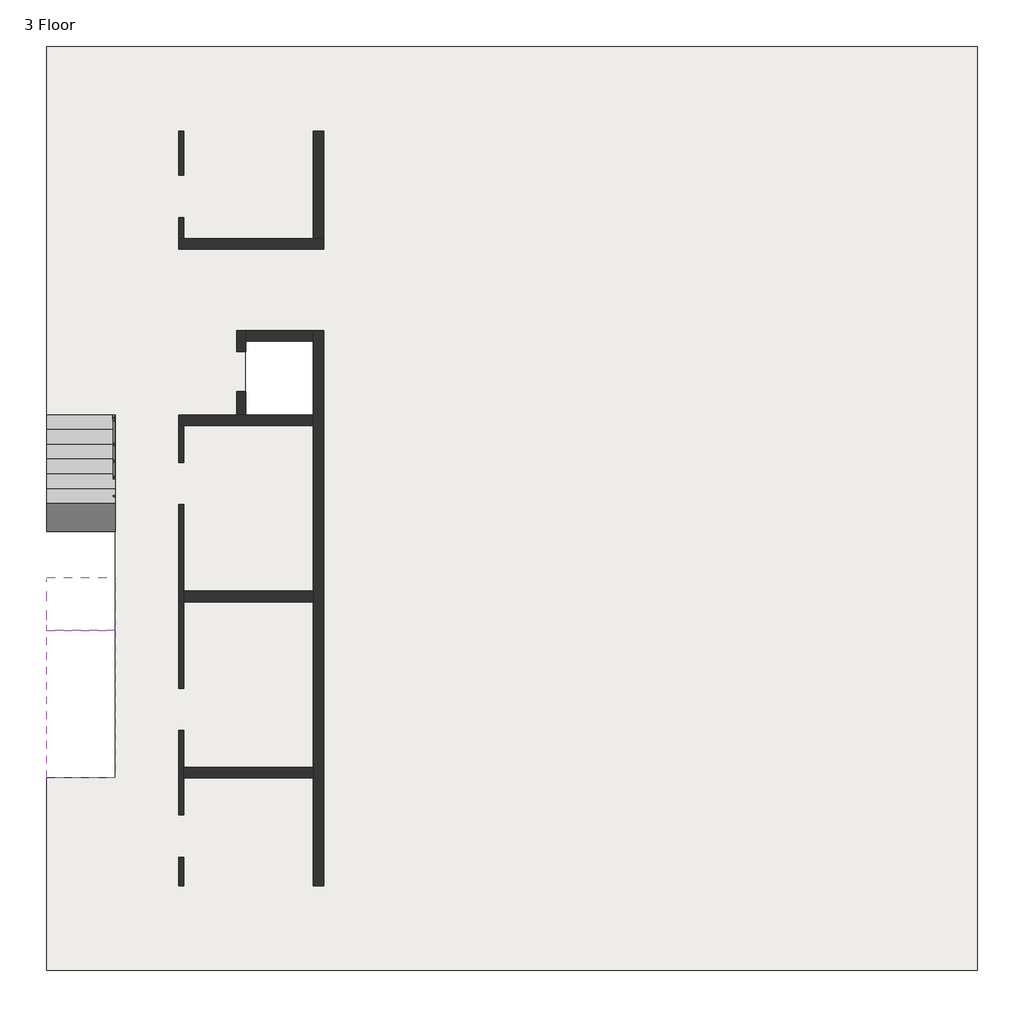
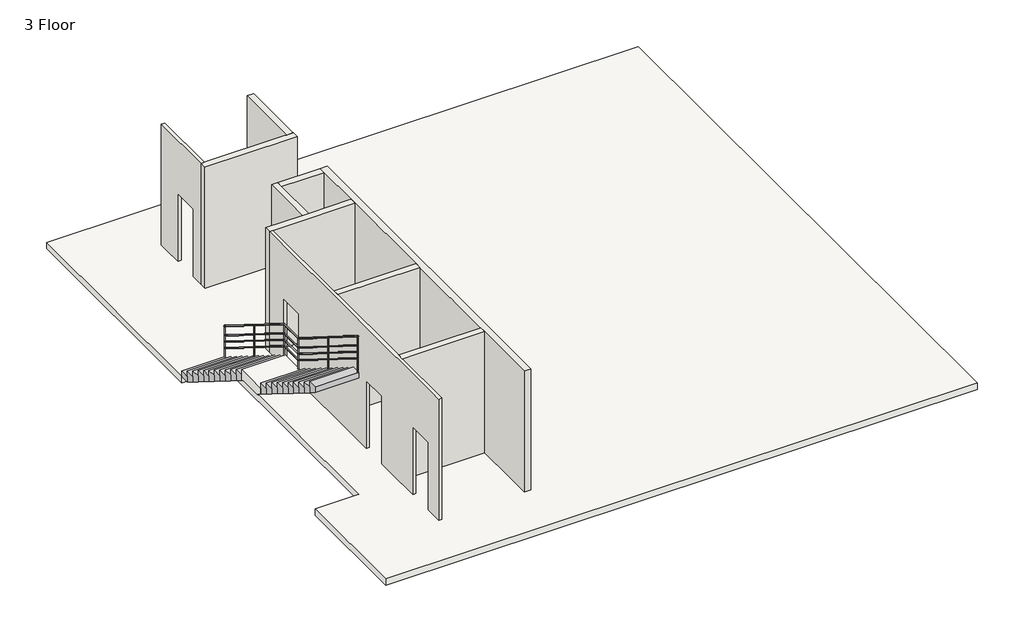
# One storey: 10 walls, 2 slabs, 2 stair flights, 1 railing.
"""IFC4 building model written with IfcOpenShell, lengths in millimetres."""

from ifc_helpers import new_model, si_unit, point, frame, frame_2d, origin, place, context, project, spatial, polyline, circle_curve, ellipse_curve, trimmed, segment, composite_curve, outline, extrude, faceted_brep, element, save
from ifc_brep_helpers import plane_surface, cylinder_surface, advanced_brep

model = new_model("IFC4")

# Units and contexts
model_context = context("Model", 3, world=origin())
ifc_project = project(units=[si_unit("LENGTHUNIT", "METRE", prefix="MILLI")], contexts=[model_context])

# Site, building, storey
site = spatial("IfcSite", under=ifc_project)
building = spatial("IfcBuilding", under=site)
storey = spatial("IfcBuildingStorey", under=building, Name="3 Floor", Elevation=14080.0)

# Railing
placement = place(None, origin())
element("IfcRailing", 1, ObjectType="1000mm Pipe", at=placement, inside=storey, context=model_context, shape_type="SolidModel", body=[
    advanced_brep(
    [(186965.285893, -22284.5742398, 15231.205882), (187005.285893, -22284.5742398, 15231.205882), (186965.285893, -25370.3041204, 17157.3913043), (187005.285893, -25370.3041204, 17157.3913043), (186965.285893, -26090.3041204, 17157.3913043), (187005.285893, -26090.3041204, 17157.3913043), (186965.285893, -29164.5742398, 19076.4232733), (187005.285893, -29164.5742398, 19076.4232733)],
    [
        (0, 1, ellipse_curve(frame((186985.285893, -22284.5742398, 15231.205882), z_axis=(0.0, 1.0, 0.0), x_axis=(0.0, 0.0, -1.0)), 23.5767267, 20.0)),
        (1, 0, ellipse_curve(frame((186985.285893, -22284.5742398, 15231.205882), z_axis=(0.0, 1.0, 0.0), x_axis=(0.0, 0.0, -1.0)), 23.5767267, 20.0)),
        (0, 2),
        (2, 3, ellipse_curve(frame((186985.285893, -25370.3041204, 17157.3913043), z_axis=(0.0, 0.9613256934599973, -0.2754140720690492), x_axis=(0.0, -0.27541407206904966, -0.9613256934599972)), 20.8046036, 20.0)),
        (3, 1),
        (3, 2, ellipse_curve(frame((186985.285893, -25370.3041204, 17157.3913043), z_axis=(0.0, 0.9613256934599973, -0.2754140720690492), x_axis=(0.0, -0.27541407206904966, -0.9613256934599972)), 20.8046036, 20.0)),
        (2, 4),
        (4, 5, ellipse_curve(frame((186985.285893, -26090.3041204, 17157.3913043), z_axis=(0.0, 0.9613256934599973, -0.2754140720690492), x_axis=(0.0, 0.2754140720690489, 0.9613256934599973)), 20.8046036, 20.0)),
        (5, 3),
        (5, 4, ellipse_curve(frame((186985.285893, -26090.3041204, 17157.3913043), z_axis=(0.0, 0.9613256934599973, -0.2754140720690492), x_axis=(0.0, 0.2754140720690489, 0.9613256934599973)), 20.8046036, 20.0)),
        (6, 7, ellipse_curve(frame((186985.285893, -29164.5742398, 19076.4232733), z_axis=(0.0, -1.0, 0.0), x_axis=(0.0, 0.0, -1.0)), 23.5767267, 20.0)),
        (7, 6, ellipse_curve(frame((186985.285893, -29164.5742398, 19076.4232733), z_axis=(0.0, -1.0, 0.0), x_axis=(0.0, 0.0, -1.0)), 23.5767267, 20.0)),
        (4, 6),
        (7, 5),
    ],
    [
        plane_surface(frame((186985.285893, -22284.5742398, 15254.7826087), z_axis=(0.0, 1.0, 0.0), x_axis=(0.0, 0.0, -1.0))),
        cylinder_surface(frame((186985.285893, -22295.1647447, 15237.8167251), z_axis=(0.0, 0.8482941778126892, -0.5295252476408407), x_axis=(1.0, 0.0, 0.0)), 20.0),
        cylinder_surface(frame((186985.285893, -25364.5742398, 17157.3913043), z_axis=(0.0, 1.0, 0.0), x_axis=(1.0, 0.0, 0.0)), 20.0),
        plane_surface(frame((186985.285893, -29164.5742398, 19100.0), z_axis=(0.0, -1.0, 0.0), x_axis=(0.0, 0.0, -1.0))),
        cylinder_surface(frame((186985.285893, -26095.1647447, 17160.4254208), z_axis=(0.0, 0.8482941778126891, -0.5295252476408407), x_axis=(1.0, 0.0, 0.0)), 20.0),
    ],
    [
        (0, [[1, 2]]),
        (1, [[-1, 3, 4, 5]]),
        (1, [[-2, -5, 6, -3]]),
        (2, [[-4, 7, 8, 9]]),
        (2, [[-6, -9, 10, -7]]),
        (3, [[11, 12]]),
        (4, [[-8, 13, -12, 14]]),
        (4, [[-10, -14, -11, -13]]),
    ],
),
    advanced_brep(
    [(186970.285893, -22284.5742398, 14937.1000637), (187000.285893, -22284.5742398, 14937.1000637), (186970.285893, -25368.8716502, 16862.3913043), (187000.285893, -25368.8716502, 16862.3913043), (186970.285893, -26088.8716502, 16862.3913043), (187000.285893, -26088.8716502, 16862.3913043), (186970.285893, -29164.5742398, 18782.317455), (187000.285893, -29164.5742398, 18782.317455)],
    [
        (0, 1, ellipse_curve(frame((186985.285893, -22284.5742398, 14937.1000637), z_axis=(0.0, 1.0, 0.0), x_axis=(0.0, 0.0, -1.0)), 17.682545, 15.0)),
        (1, 0, ellipse_curve(frame((186985.285893, -22284.5742398, 14937.1000637), z_axis=(0.0, 1.0, 0.0), x_axis=(0.0, 0.0, -1.0)), 17.682545, 15.0)),
        (0, 2),
        (2, 3, ellipse_curve(frame((186985.285893, -25368.8716502, 16862.3913043), z_axis=(0.0, 0.9613256934599973, -0.2754140720690492), x_axis=(0.0, -0.27541407206904966, -0.9613256934599972)), 15.6034527, 15.0)),
        (3, 1),
        (3, 2, ellipse_curve(frame((186985.285893, -25368.8716502, 16862.3913043), z_axis=(0.0, 0.9613256934599973, -0.2754140720690492), x_axis=(0.0, -0.27541407206904966, -0.9613256934599972)), 15.6034527, 15.0)),
        (2, 4),
        (4, 5, ellipse_curve(frame((186985.285893, -26088.8716502, 16862.3913043), z_axis=(0.0, 0.9613256934599973, -0.2754140720690492), x_axis=(0.0, 0.2754140720690489, 0.9613256934599973)), 15.6034527, 15.0)),
        (5, 3),
        (5, 4, ellipse_curve(frame((186985.285893, -26088.8716502, 16862.3913043), z_axis=(0.0, 0.9613256934599973, -0.2754140720690492), x_axis=(0.0, 0.2754140720690489, 0.9613256934599973)), 15.6034527, 15.0)),
        (6, 7, ellipse_curve(frame((186985.285893, -29164.5742398, 18782.317455), z_axis=(0.0, -1.0, 0.0), x_axis=(0.0, 0.0, -1.0)), 17.682545, 15.0)),
        (7, 6, ellipse_curve(frame((186985.285893, -29164.5742398, 18782.317455), z_axis=(0.0, -1.0, 0.0), x_axis=(0.0, 0.0, -1.0)), 17.682545, 15.0)),
        (4, 6),
        (7, 5),
    ],
    [
        plane_surface(frame((186985.285893, -22284.5742398, 14954.7826087), z_axis=(0.0, 1.0, 0.0), x_axis=(0.0, 0.0, -1.0))),
        cylinder_surface(frame((186985.285893, -22292.5171185, 14942.058196), z_axis=(0.0, 0.8482941778126892, -0.5295252476408407), x_axis=(1.0, 0.0, 0.0)), 15.0),
        cylinder_surface(frame((186985.285893, -25364.5742398, 16862.3913043), z_axis=(0.0, 1.0, 0.0), x_axis=(1.0, 0.0, 0.0)), 15.0),
        plane_surface(frame((186985.285893, -29164.5742398, 18800.0), z_axis=(0.0, -1.0, 0.0), x_axis=(0.0, 0.0, -1.0))),
        cylinder_surface(frame((186985.285893, -26092.5171185, 16864.6668917), z_axis=(0.0, 0.8482941778126891, -0.5295252476408407), x_axis=(1.0, 0.0, 0.0)), 15.0),
    ],
    [
        (0, [[1, 2]]),
        (1, [[-1, 3, 4, 5]]),
        (1, [[-2, -5, 6, -3]]),
        (2, [[-4, 7, 8, 9]]),
        (2, [[-6, -9, 10, -7]]),
        (3, [[11, 12]]),
        (4, [[-8, 13, -12, 14]]),
        (4, [[-10, -14, -11, -13]]),
    ],
),
    advanced_brep(
    [(186970.285893, -22284.5742398, 14737.1000637), (187000.285893, -22284.5742398, 14737.1000637), (186970.285893, -25368.8716502, 16662.3913043), (187000.285893, -25368.8716502, 16662.3913043), (186970.285893, -26088.8716502, 16662.3913043), (187000.285893, -26088.8716502, 16662.3913043), (186970.285893, -29164.5742398, 18582.317455), (187000.285893, -29164.5742398, 18582.317455)],
    [
        (0, 1, ellipse_curve(frame((186985.285893, -22284.5742398, 14737.1000637), z_axis=(0.0, 1.0, 0.0), x_axis=(0.0, 0.0, -1.0)), 17.682545, 15.0)),
        (1, 0, ellipse_curve(frame((186985.285893, -22284.5742398, 14737.1000637), z_axis=(0.0, 1.0, 0.0), x_axis=(0.0, 0.0, -1.0)), 17.682545, 15.0)),
        (0, 2),
        (2, 3, ellipse_curve(frame((186985.285893, -25368.8716502, 16662.3913043), z_axis=(0.0, 0.9613256934599973, -0.2754140720690492), x_axis=(0.0, -0.27541407206904966, -0.9613256934599972)), 15.6034527, 15.0)),
        (3, 1),
        (3, 2, ellipse_curve(frame((186985.285893, -25368.8716502, 16662.3913043), z_axis=(0.0, 0.9613256934599973, -0.2754140720690492), x_axis=(0.0, -0.27541407206904966, -0.9613256934599972)), 15.6034527, 15.0)),
        (2, 4),
        (4, 5, ellipse_curve(frame((186985.285893, -26088.8716502, 16662.3913043), z_axis=(0.0, 0.9613256934599973, -0.2754140720690492), x_axis=(0.0, 0.2754140720690489, 0.9613256934599973)), 15.6034527, 15.0)),
        (5, 3),
        (5, 4, ellipse_curve(frame((186985.285893, -26088.8716502, 16662.3913043), z_axis=(0.0, 0.9613256934599973, -0.2754140720690492), x_axis=(0.0, 0.2754140720690489, 0.9613256934599973)), 15.6034527, 15.0)),
        (6, 7, ellipse_curve(frame((186985.285893, -29164.5742398, 18582.317455), z_axis=(0.0, -1.0, 0.0), x_axis=(0.0, 0.0, -1.0)), 17.682545, 15.0)),
        (7, 6, ellipse_curve(frame((186985.285893, -29164.5742398, 18582.317455), z_axis=(0.0, -1.0, 0.0), x_axis=(0.0, 0.0, -1.0)), 17.682545, 15.0)),
        (4, 6),
        (7, 5),
    ],
    [
        plane_surface(frame((186985.285893, -22284.5742398, 14754.7826087), z_axis=(0.0, 1.0, 0.0), x_axis=(0.0, 0.0, -1.0))),
        cylinder_surface(frame((186985.285893, -22292.5171185, 14742.058196), z_axis=(0.0, 0.8482941778126892, -0.5295252476408407), x_axis=(1.0, 0.0, 0.0)), 15.0),
        cylinder_surface(frame((186985.285893, -25364.5742398, 16662.3913043), z_axis=(0.0, 1.0, 0.0), x_axis=(1.0, 0.0, 0.0)), 15.0),
        plane_surface(frame((186985.285893, -29164.5742398, 18600.0), z_axis=(0.0, -1.0, 0.0), x_axis=(0.0, 0.0, -1.0))),
        cylinder_surface(frame((186985.285893, -26092.5171185, 16664.6668917), z_axis=(0.0, 0.8482941778126891, -0.5295252476408407), x_axis=(1.0, 0.0, 0.0)), 15.0),
    ],
    [
        (0, [[1, 2]]),
        (1, [[-1, 3, 4, 5]]),
        (1, [[-2, -5, 6, -3]]),
        (2, [[-4, 7, 8, 9]]),
        (2, [[-6, -9, 10, -7]]),
        (3, [[11, 12]]),
        (4, [[-8, 13, -12, 14]]),
        (4, [[-10, -14, -11, -13]]),
    ],
),
    advanced_brep(
    [(186970.285893, -22284.5742398, 14537.1000637), (187000.285893, -22284.5742398, 14537.1000637), (186970.285893, -25368.8716502, 16462.3913043), (187000.285893, -25368.8716502, 16462.3913043), (186970.285893, -26088.8716502, 16462.3913043), (187000.285893, -26088.8716502, 16462.3913043), (186970.285893, -29164.5742398, 18382.317455), (187000.285893, -29164.5742398, 18382.317455)],
    [
        (0, 1, ellipse_curve(frame((186985.285893, -22284.5742398, 14537.1000637), z_axis=(0.0, 1.0, 0.0), x_axis=(0.0, 0.0, -1.0)), 17.682545, 15.0)),
        (1, 0, ellipse_curve(frame((186985.285893, -22284.5742398, 14537.1000637), z_axis=(0.0, 1.0, 0.0), x_axis=(0.0, 0.0, -1.0)), 17.682545, 15.0)),
        (0, 2),
        (2, 3, ellipse_curve(frame((186985.285893, -25368.8716502, 16462.3913043), z_axis=(0.0, 0.9613256934599973, -0.2754140720690492), x_axis=(0.0, -0.27541407206904966, -0.9613256934599972)), 15.6034527, 15.0)),
        (3, 1),
        (3, 2, ellipse_curve(frame((186985.285893, -25368.8716502, 16462.3913043), z_axis=(0.0, 0.9613256934599973, -0.2754140720690492), x_axis=(0.0, -0.27541407206904966, -0.9613256934599972)), 15.6034527, 15.0)),
        (2, 4),
        (4, 5, ellipse_curve(frame((186985.285893, -26088.8716502, 16462.3913043), z_axis=(0.0, 0.9613256934599973, -0.2754140720690492), x_axis=(0.0, 0.2754140720690489, 0.9613256934599973)), 15.6034527, 15.0)),
        (5, 3),
        (5, 4, ellipse_curve(frame((186985.285893, -26088.8716502, 16462.3913043), z_axis=(0.0, 0.9613256934599973, -0.2754140720690492), x_axis=(0.0, 0.2754140720690489, 0.9613256934599973)), 15.6034527, 15.0)),
        (6, 7, ellipse_curve(frame((186985.285893, -29164.5742398, 18382.317455), z_axis=(0.0, -1.0, 0.0), x_axis=(0.0, 0.0, -1.0)), 17.682545, 15.0)),
        (7, 6, ellipse_curve(frame((186985.285893, -29164.5742398, 18382.317455), z_axis=(0.0, -1.0, 0.0), x_axis=(0.0, 0.0, -1.0)), 17.682545, 15.0)),
        (4, 6),
        (7, 5),
    ],
    [
        plane_surface(frame((186985.285893, -22284.5742398, 14554.7826087), z_axis=(0.0, 1.0, 0.0), x_axis=(0.0, 0.0, -1.0))),
        cylinder_surface(frame((186985.285893, -22292.5171185, 14542.058196), z_axis=(0.0, 0.8482941778126892, -0.5295252476408407), x_axis=(1.0, 0.0, 0.0)), 15.0),
        cylinder_surface(frame((186985.285893, -25364.5742398, 16462.3913043), z_axis=(0.0, 1.0, 0.0), x_axis=(1.0, 0.0, 0.0)), 15.0),
        plane_surface(frame((186985.285893, -29164.5742398, 18400.0), z_axis=(0.0, -1.0, 0.0), x_axis=(0.0, 0.0, -1.0))),
        cylinder_surface(frame((186985.285893, -26092.5171185, 16464.6668917), z_axis=(0.0, 0.8482941778126891, -0.5295252476408407), x_axis=(1.0, 0.0, 0.0)), 15.0),
    ],
    [
        (0, [[1, 2]]),
        (1, [[-1, 3, 4, 5]]),
        (1, [[-2, -5, 6, -3]]),
        (2, [[-4, 7, 8, 9]]),
        (2, [[-6, -9, 10, -7]]),
        (3, [[11, 12]]),
        (4, [[-8, 13, -12, 14]]),
        (4, [[-10, -14, -11, -13]]),
    ],
),
    advanced_brep(
    [(186997.785893, -27624.5742398, 18091.5421988), (186972.785893, -27624.5742398, 18091.5421988), (186972.785893, -27624.5742398, 17051.3043478), (186997.785893, -27624.5742398, 17051.3043478)],
    [
        (0, 1, ellipse_curve(frame((186985.285893, -27624.5742398, 18091.5421988), z_axis=(0.0, -0.5295252476408403, -0.8482941778126895), x_axis=(0.0, -0.8482941778126895, 0.5295252476408402)), 14.7354542, 12.5)),
        (1, 2),
        (2, 3, circle_curve(frame((186985.285893, -27624.5742398, 17051.3043478), z_axis=(0.0, 0.0, 1.0), x_axis=(-1.0, 0.0, 0.0)), 12.5)),
        (3, 0),
        (3, 2, circle_curve(frame((186985.285893, -27624.5742398, 17051.3043478), z_axis=(0.0, 0.0, 1.0), x_axis=(-1.0, 0.0, 0.0)), 12.5)),
        (1, 0, ellipse_curve(frame((186985.285893, -27624.5742398, 18091.5421988), z_axis=(0.0, -0.5295252476408403, -0.8482941778126895), x_axis=(0.0, -0.8482941778126895, 0.5295252476408402)), 14.7354542, 12.5)),
    ],
    [
        cylinder_surface(frame((186985.285893, -27624.5742398, 16951.3043478), z_axis=(0.0, 0.0, 1.0), x_axis=(-1.0, 0.0, 0.0)), 12.5),
        plane_surface(frame((186960.285893, -27649.5742398, 18107.1477888), z_axis=(0.0, 0.5295252476408403, 0.8482941778126895), x_axis=(1.0, 0.0, 0.0))),
        plane_surface(frame((186960.285893, -27599.5742398, 17051.3043478), z_axis=(0.0, 0.0, -1.0), x_axis=(1.0, 0.0, 0.0))),
    ],
    [
        (0, [[1, 2, 3, 4]]),
        (0, [[5, -2, 6, -4]]),
        (1, [[-6, -1]]),
        (2, [[-5, -3]]),
    ],
),
    advanced_brep(
    [(186997.785893, -23824.5742398, 16168.9335031), (186972.785893, -23824.5742398, 16168.9335031), (186972.785893, -23824.5742398, 15128.6956522), (186997.785893, -23824.5742398, 15128.6956522)],
    [
        (0, 1, ellipse_curve(frame((186985.285893, -23824.5742398, 16168.9335031), z_axis=(0.0, -0.5295252476408403, -0.8482941778126895), x_axis=(0.0, -0.8482941778126895, 0.5295252476408402)), 14.7354542, 12.5)),
        (1, 2),
        (2, 3, circle_curve(frame((186985.285893, -23824.5742398, 15128.6956522), z_axis=(0.0, 0.0, 1.0), x_axis=(-1.0, 0.0, 0.0)), 12.5)),
        (3, 0),
        (3, 2, circle_curve(frame((186985.285893, -23824.5742398, 15128.6956522), z_axis=(0.0, 0.0, 1.0), x_axis=(-1.0, 0.0, 0.0)), 12.5)),
        (1, 0, ellipse_curve(frame((186985.285893, -23824.5742398, 16168.9335031), z_axis=(0.0, -0.5295252476408403, -0.8482941778126895), x_axis=(0.0, -0.8482941778126895, 0.5295252476408402)), 14.7354542, 12.5)),
    ],
    [
        cylinder_surface(frame((186985.285893, -23824.5742398, 15028.6956522), z_axis=(0.0, 0.0, 1.0), x_axis=(-1.0, 0.0, 0.0)), 12.5),
        plane_surface(frame((186960.285893, -23849.5742398, 16184.5390932), z_axis=(0.0, 0.5295252476408403, 0.8482941778126895), x_axis=(1.0, 0.0, 0.0))),
        plane_surface(frame((186960.285893, -23799.5742398, 15128.6956522), z_axis=(0.0, 0.0, -1.0), x_axis=(1.0, 0.0, 0.0))),
    ],
    [
        (0, [[1, 2, 3, 4]]),
        (0, [[5, -2, 6, -4]]),
        (1, [[-6, -1]]),
        (2, [[-5, -3]]),
    ],
),
    extrude(outline(composite_curve([segment(trimmed(circle_curve(frame_2d((186985.285893, -26084.5742398)), 12.5), [point((186972.785893, -26084.5742398))], [point((186997.785893, -26084.5742398))], False, "CARTESIAN"), True, "CONTINUOUS"), segment(trimmed(circle_curve(frame_2d((186985.285893, -26084.5742398)), 12.5), [point((186997.785893, -26084.5742398))], [point((186972.785893, -26084.5742398))], False, "CARTESIAN"), True, "CONTINUOUS")], self_intersect=False)), frame((0.0, 0.0, 16177.3913043), z_axis=(0.0, 0.0, 1.0), x_axis=(1.0, 0.0, 0.0)), (0.0, 0.0, 1.0), 960.0),
    advanced_brep(
    [(186997.785893, -25364.5742398, 17130.2378509), (186972.785893, -25364.5742398, 17130.2378509), (186972.785893, -25364.5742398, 16177.3913043), (186997.785893, -25364.5742398, 16177.3913043)],
    [
        (0, 1, ellipse_curve(frame((186985.285893, -25364.5742398, 17130.2378509), z_axis=(0.0, -0.5295252476408403, -0.8482941778126895), x_axis=(0.0, -0.8482941778126895, 0.5295252476408402)), 14.7354542, 12.5)),
        (1, 2),
        (2, 3, circle_curve(frame((186985.285893, -25364.5742398, 16177.3913043), z_axis=(0.0, 0.0, 1.0), x_axis=(-1.0, 0.0, 0.0)), 12.5)),
        (3, 0),
        (3, 2, circle_curve(frame((186985.285893, -25364.5742398, 16177.3913043), z_axis=(0.0, 0.0, 1.0), x_axis=(-1.0, 0.0, 0.0)), 12.5)),
        (1, 0, ellipse_curve(frame((186985.285893, -25364.5742398, 17130.2378509), z_axis=(0.0, -0.5295252476408403, -0.8482941778126895), x_axis=(0.0, -0.8482941778126895, 0.5295252476408402)), 14.7354542, 12.5)),
    ],
    [
        cylinder_surface(frame((186985.285893, -25364.5742398, 16077.3913043), z_axis=(0.0, 0.0, 1.0), x_axis=(-1.0, 0.0, 0.0)), 12.5),
        plane_surface(frame((186960.285893, -25389.5742398, 17145.843441), z_axis=(0.0, 0.5295252476408403, 0.8482941778126895), x_axis=(1.0, 0.0, 0.0))),
        plane_surface(frame((186960.285893, -25339.5742398, 16177.3913043), z_axis=(0.0, 0.0, -1.0), x_axis=(1.0, 0.0, 0.0))),
    ],
    [
        (0, [[1, 2, 3, 4]]),
        (0, [[5, -2, 6, -4]]),
        (1, [[-6, -1]]),
        (2, [[-5, -3]]),
    ],
),
    advanced_brep(
    [(186997.785893, -29152.0742398, 19045.0437515), (186972.785893, -29152.0742398, 19045.0437515), (186972.785893, -29152.0742398, 17925.2173913), (186997.785893, -29152.0742398, 17925.2173913)],
    [
        (0, 1, ellipse_curve(frame((186985.285893, -29152.0742398, 19045.0437515), z_axis=(0.0, -0.5295252476408403, -0.8482941778126895), x_axis=(0.0, -0.8482941778126895, 0.5295252476408402)), 14.7354542, 12.5)),
        (1, 2),
        (2, 3, circle_curve(frame((186985.285893, -29152.0742398, 17925.2173913), z_axis=(0.0, 0.0, 1.0), x_axis=(-1.0, 0.0, 0.0)), 12.5)),
        (3, 0),
        (3, 2, circle_curve(frame((186985.285893, -29152.0742398, 17925.2173913), z_axis=(0.0, 0.0, 1.0), x_axis=(-1.0, 0.0, 0.0)), 12.5)),
        (1, 0, ellipse_curve(frame((186985.285893, -29152.0742398, 19045.0437515), z_axis=(0.0, -0.5295252476408403, -0.8482941778126895), x_axis=(0.0, -0.8482941778126895, 0.5295252476408402)), 14.7354542, 12.5)),
    ],
    [
        cylinder_surface(frame((186985.285893, -29152.0742398, 17825.2173913), z_axis=(0.0, 0.0, 1.0), x_axis=(-1.0, 0.0, 0.0)), 12.5),
        plane_surface(frame((186960.285893, -29177.0742398, 19060.6493416), z_axis=(0.0, 0.5295252476408403, 0.8482941778126895), x_axis=(1.0, 0.0, 0.0))),
        plane_surface(frame((186960.285893, -29127.0742398, 17925.2173913), z_axis=(0.0, 0.0, -1.0), x_axis=(1.0, 0.0, 0.0))),
    ],
    [
        (0, [[1, 2, 3, 4]]),
        (0, [[5, -2, 6, -4]]),
        (1, [[-6, -1]]),
        (2, [[-5, -3]]),
    ],
),
    advanced_brep(
    [(186997.785893, -22297.0742398, 15215.4319503), (186972.785893, -22297.0742398, 15215.4319503), (186972.785893, -22297.0742398, 14254.7826087), (186997.785893, -22297.0742398, 14254.7826087)],
    [
        (0, 1, ellipse_curve(frame((186985.285893, -22297.0742398, 15215.4319503), z_axis=(0.0, -0.5295252476408403, -0.8482941778126895), x_axis=(0.0, -0.8482941778126895, 0.5295252476408402)), 14.7354542, 12.5)),
        (1, 2),
        (2, 3, circle_curve(frame((186985.285893, -22297.0742398, 14254.7826087), z_axis=(0.0, 0.0, 1.0), x_axis=(-1.0, 0.0, 0.0)), 12.5)),
        (3, 0),
        (3, 2, circle_curve(frame((186985.285893, -22297.0742398, 14254.7826087), z_axis=(0.0, 0.0, 1.0), x_axis=(-1.0, 0.0, 0.0)), 12.5)),
        (1, 0, ellipse_curve(frame((186985.285893, -22297.0742398, 15215.4319503), z_axis=(0.0, -0.5295252476408403, -0.8482941778126895), x_axis=(0.0, -0.8482941778126895, 0.5295252476408402)), 14.7354542, 12.5)),
    ],
    [
        cylinder_surface(frame((186985.285893, -22297.0742398, 14154.7826087), z_axis=(0.0, 0.0, 1.0), x_axis=(-1.0, 0.0, 0.0)), 12.5),
        plane_surface(frame((186960.285893, -22322.0742398, 15231.0375404), z_axis=(0.0, 0.5295252476408403, 0.8482941778126895), x_axis=(1.0, 0.0, 0.0))),
        plane_surface(frame((186960.285893, -22272.0742398, 14254.7826087), z_axis=(0.0, 0.0, -1.0), x_axis=(1.0, 0.0, 0.0))),
    ],
    [
        (0, [[1, 2, 3, 4]]),
        (0, [[5, -2, 6, -4]]),
        (1, [[-6, -1]]),
        (2, [[-5, -3]]),
    ],
),
])

# Slabs
element("IfcSlab", 2, ObjectType="300mm Thickness", at=placement, inside=storey, context=model_context, shape_type="Brep", body=[
    faceted_brep([(187010.685893, -25364.5742398, 16177.3913043), (185710.685893, -25364.5742398, 16177.3913043), (185710.685893, -25447.2498368, 16177.3913043), (185710.685893, -26167.2498368, 16177.3913043), (185710.685893, -26364.5742398, 16177.3913043), (187010.685893, -26364.5742398, 16177.3913043), (187010.685893, -26167.2498368, 16177.3913043), (187010.685893, -25447.2498368, 16177.3913043), (187010.685893, -25364.5742398, 16002.6086957), (187010.685893, -25364.5742398, 15825.7832453), (185710.685893, -25364.5742398, 15825.7832453), (185710.685893, -25364.5742398, 16002.6086957), (185710.685893, -25447.2498368, 15877.3913043), (185710.685893, -26167.2498368, 15877.3913043), (185710.685893, -26364.5742398, 16000.565854), (187010.685893, -26364.5742398, 16000.565854), (187010.685893, -26167.2498368, 15877.3913043), (187010.685893, -25447.2498368, 15877.3913043)], [[[0, 1, 2, 3, 4, 5, 6, 7]], [[1, 0, 8, 9, 10, 11]], [[1, 11, 10, 12, 13, 14, 4, 3, 2]], [[5, 4, 14, 15]], [[9, 8, 0, 7, 6, 5, 15, 16, 17]], [[12, 17, 16, 13]], [[17, 12, 10, 9]], [[13, 16, 15, 14]]]),
])
element("IfcSlab", 3, ObjectType="STB 20.0", at=placement, inside=storey, context=model_context, shape_type="SweptSolid", body=[
    extrude(outline(polyline([(203340.6858931, -32804.57424), (185710.685893, -32804.57424), (185710.685893, -29164.5742398), (187010.685893, -29164.5742398), (187010.685893, -22284.5742398), (185710.685893, -22284.5742398), (185710.685893, -15304.5742399), (203340.6858931, -15304.5742399), (203340.6858931, -32804.57424)]), holes=[polyline([(190760.6858931, -20884.5742398), (189485.6858931, -20884.5742398), (189485.6858931, -22284.5742398), (190760.6858931, -22284.5742398), (190760.6858931, -20884.5742398)])]), frame((0.0, 0.0, 13880.0), z_axis=(0.0, 0.0, 1.0), x_axis=(1.0, 0.0, 0.0)), (0.0, 0.0, 1.0), 200.0),
])

# Stair flights
element("IfcStairFlight", 4, ObjectType="150mm Depth", at=placement, inside=storey, context=model_context, shape_type="Brep", body=[
    faceted_brep([(187010.685893, -22564.5742398, 14254.7826087), (187010.685893, -22284.5742398, 14254.7826087), (185710.685893, -22284.5742398, 14254.7826087), (185710.685893, -22564.5742398, 14254.7826087), (187010.685893, -22564.5742398, 14080.0), (187010.685893, -22284.5742398, 14080.0), (185710.685893, -22284.5742398, 14080.0), (185710.685893, -22564.5742398, 14080.0), (187010.685893, -22844.5742398, 14429.5652174), (187010.685893, -22564.5742398, 14429.5652174), (185710.685893, -22564.5742398, 14429.5652174), (185710.685893, -22844.5742398, 14429.5652174), (187010.685893, -22844.5742398, 14252.7397671), (187010.685893, -22567.8468517, 14080.0), (185710.685893, -22567.8468517, 14080.0), (185710.685893, -22844.5742398, 14252.7397671), (187010.685893, -23124.5742398, 14604.3478261), (187010.685893, -22844.5742398, 14604.3478261), (185710.685893, -22844.5742398, 14604.3478261), (185710.685893, -23124.5742398, 14604.3478261), (187010.685893, -23124.5742398, 14427.5223758), (185710.685893, -23124.5742398, 14427.5223758), (187010.685893, -23404.5742398, 14779.1304348), (187010.685893, -23124.5742398, 14779.1304348), (185710.685893, -23124.5742398, 14779.1304348), (185710.685893, -23404.5742398, 14779.1304348), (187010.685893, -23404.5742398, 14602.3049845), (185710.685893, -23404.5742398, 14602.3049845), (187010.685893, -23684.5742398, 14953.9130435), (187010.685893, -23404.5742398, 14953.9130435), (185710.685893, -23404.5742398, 14953.9130435), (185710.685893, -23684.5742398, 14953.9130435), (187010.685893, -23684.5742398, 14777.0875932), (185710.685893, -23684.5742398, 14777.0875932), (187010.685893, -23964.5742398, 15128.6956522), (187010.685893, -23684.5742398, 15128.6956522), (185710.685893, -23684.5742398, 15128.6956522), (185710.685893, -23964.5742398, 15128.6956522), (187010.685893, -23964.5742398, 14951.8702018), (185710.685893, -23964.5742398, 14951.8702018), (187010.685893, -24244.5742398, 15303.4782609), (187010.685893, -23964.5742398, 15303.4782609), (185710.685893, -23964.5742398, 15303.4782609), (185710.685893, -24244.5742398, 15303.4782609), (187010.685893, -24244.5742398, 15126.6528105), (185710.685893, -24244.5742398, 15126.6528105), (187010.685893, -24524.5742398, 15478.2608696), (187010.685893, -24244.5742398, 15478.2608696), (185710.685893, -24244.5742398, 15478.2608696), (185710.685893, -24524.5742398, 15478.2608696), (187010.685893, -24524.5742398, 15301.4354192), (185710.685893, -24524.5742398, 15301.4354192), (187010.685893, -24804.5742398, 15653.0434783), (187010.685893, -24524.5742398, 15653.0434783), (185710.685893, -24524.5742398, 15653.0434783), (185710.685893, -24804.5742398, 15653.0434783), (187010.685893, -24804.5742398, 15476.2180279), (185710.685893, -24804.5742398, 15476.2180279), (187010.685893, -25084.5742398, 15827.826087), (187010.685893, -24804.5742398, 15827.826087), (185710.685893, -24804.5742398, 15827.826087), (185710.685893, -25084.5742398, 15827.826087), (187010.685893, -25084.5742398, 15651.0006366), (185710.685893, -25084.5742398, 15651.0006366), (187010.685893, -25364.5742398, 16002.6086957), (187010.685893, -25084.5742398, 16002.6086957), (185710.685893, -25084.5742398, 16002.6086957), (185710.685893, -25364.5742398, 16002.6086957), (187010.685893, -25364.5742398, 15825.7832453), (185710.685893, -25364.5742398, 15825.7832453)], [[[0, 1, 2, 3]], [[1, 0, 4, 5]], [[2, 1, 5, 6]], [[3, 2, 6, 7]], [[8, 9, 10, 11]], [[4, 0, 9, 8, 12, 13]], [[0, 3, 10, 9]], [[3, 7, 14, 15, 11, 10]], [[16, 17, 18, 19]], [[17, 16, 20, 12, 8]], [[8, 11, 18, 17]], [[19, 18, 11, 15, 21]], [[22, 23, 24, 25]], [[23, 22, 26, 20, 16]], [[16, 19, 24, 23]], [[25, 24, 19, 21, 27]], [[28, 29, 30, 31]], [[29, 28, 32, 26, 22]], [[22, 25, 30, 29]], [[31, 30, 25, 27, 33]], [[34, 35, 36, 37]], [[35, 34, 38, 32, 28]], [[28, 31, 36, 35]], [[37, 36, 31, 33, 39]], [[40, 41, 42, 43]], [[41, 40, 44, 38, 34]], [[34, 37, 42, 41]], [[43, 42, 37, 39, 45]], [[46, 47, 48, 49]], [[47, 46, 50, 44, 40]], [[40, 43, 48, 47]], [[49, 48, 43, 45, 51]], [[52, 53, 54, 55]], [[53, 52, 56, 50, 46]], [[46, 49, 54, 53]], [[55, 54, 49, 51, 57]], [[58, 59, 60, 61]], [[59, 58, 62, 56, 52]], [[52, 55, 60, 59]], [[61, 60, 55, 57, 63]], [[64, 65, 66, 67]], [[65, 64, 68, 62, 58]], [[58, 61, 66, 65]], [[67, 66, 61, 63, 69]], [[64, 67, 69, 68]], [[5, 4, 13, 14, 7, 6]], [[14, 13, 12, 20, 26, 32, 38, 44, 50, 56, 62, 68, 69, 63, 57, 51, 45, 39, 33, 27, 21, 15]]]),
])
element("IfcStairFlight", 5, ObjectType="150mm Depth", at=placement, inside=storey, context=model_context, shape_type="Brep", body=[
    faceted_brep([(187010.685893, -26644.5742398, 16352.173913), (187010.685893, -26364.5742398, 16352.173913), (185710.685893, -26364.5742398, 16352.173913), (185710.685893, -26644.5742398, 16352.173913), (187010.685893, -26644.5742398, 16175.3484627), (187010.685893, -26364.5742398, 16000.565854), (187010.685893, -26364.5742398, 16177.3913043), (185710.685893, -26364.5742398, 16000.565854), (185710.685893, -26364.5742398, 16177.3913043), (185710.685893, -26644.5742398, 16175.3484627), (187010.685893, -26924.5742398, 16526.9565217), (187010.685893, -26644.5742398, 16526.9565217), (185710.685893, -26644.5742398, 16526.9565217), (185710.685893, -26924.5742398, 16526.9565217), (187010.685893, -26924.5742398, 16350.1310714), (185710.685893, -26924.5742398, 16350.1310714), (187010.685893, -27204.5742398, 16701.7391304), (187010.685893, -26924.5742398, 16701.7391304), (185710.685893, -26924.5742398, 16701.7391304), (185710.685893, -27204.5742398, 16701.7391304), (187010.685893, -27204.5742398, 16524.9136801), (185710.685893, -27204.5742398, 16524.9136801), (187010.685893, -27484.5742398, 16876.5217391), (187010.685893, -27204.5742398, 16876.5217391), (185710.685893, -27204.5742398, 16876.5217391), (185710.685893, -27484.5742398, 16876.5217391), (187010.685893, -27484.5742398, 16699.6962888), (185710.685893, -27484.5742398, 16699.6962888), (187010.685893, -27764.5742398, 17051.3043478), (187010.685893, -27484.5742398, 17051.3043478), (185710.685893, -27484.5742398, 17051.3043478), (185710.685893, -27764.5742398, 17051.3043478), (187010.685893, -27764.5742398, 16874.4788975), (185710.685893, -27764.5742398, 16874.4788975), (187010.685893, -28044.5742398, 17226.0869565), (187010.685893, -27764.5742398, 17226.0869565), (185710.685893, -27764.5742398, 17226.0869565), (185710.685893, -28044.5742398, 17226.0869565), (187010.685893, -28044.5742398, 17049.2615062), (185710.685893, -28044.5742398, 17049.2615062), (187010.685893, -28324.5742398, 17400.8695652), (187010.685893, -28044.5742398, 17400.8695652), (185710.685893, -28044.5742398, 17400.8695652), (185710.685893, -28324.5742398, 17400.8695652), (187010.685893, -28324.5742398, 17224.0441149), (185710.685893, -28324.5742398, 17224.0441149), (187010.685893, -28604.5742398, 17575.6521739), (187010.685893, -28324.5742398, 17575.6521739), (185710.685893, -28324.5742398, 17575.6521739), (185710.685893, -28604.5742398, 17575.6521739), (187010.685893, -28604.5742398, 17398.8267236), (185710.685893, -28604.5742398, 17398.8267236), (187010.685893, -28884.5742398, 17750.4347826), (187010.685893, -28604.5742398, 17750.4347826), (185710.685893, -28604.5742398, 17750.4347826), (185710.685893, -28884.5742398, 17750.4347826), (187010.685893, -28884.5742398, 17573.6093323), (185710.685893, -28884.5742398, 17573.6093323), (187010.685893, -29164.5742398, 17925.2173913), (187010.685893, -28884.5742398, 17925.2173913), (185710.685893, -28884.5742398, 17925.2173913), (185710.685893, -29164.5742398, 17925.2173913), (187010.685893, -29164.5742398, 17748.391941), (185710.685893, -29164.5742398, 17748.391941)], [[[0, 1, 2, 3]], [[1, 0, 4, 5, 6]], [[2, 1, 6, 5, 7, 8]], [[3, 2, 8, 7, 9]], [[10, 11, 12, 13]], [[11, 10, 14, 4, 0]], [[12, 11, 0, 3]], [[13, 12, 3, 9, 15]], [[16, 17, 18, 19]], [[17, 16, 20, 14, 10]], [[18, 17, 10, 13]], [[19, 18, 13, 15, 21]], [[22, 23, 24, 25]], [[23, 22, 26, 20, 16]], [[24, 23, 16, 19]], [[25, 24, 19, 21, 27]], [[28, 29, 30, 31]], [[29, 28, 32, 26, 22]], [[30, 29, 22, 25]], [[31, 30, 25, 27, 33]], [[34, 35, 36, 37]], [[35, 34, 38, 32, 28]], [[36, 35, 28, 31]], [[37, 36, 31, 33, 39]], [[40, 41, 42, 43]], [[41, 40, 44, 38, 34]], [[42, 41, 34, 37]], [[43, 42, 37, 39, 45]], [[46, 47, 48, 49]], [[47, 46, 50, 44, 40]], [[48, 47, 40, 43]], [[49, 48, 43, 45, 51]], [[52, 53, 54, 55]], [[53, 52, 56, 50, 46]], [[54, 53, 46, 49]], [[55, 54, 49, 51, 57]], [[58, 59, 60, 61]], [[59, 58, 62, 56, 52]], [[60, 59, 52, 55]], [[61, 60, 55, 57, 63]], [[58, 61, 63, 62]], [[5, 4, 14, 20, 26, 32, 38, 44, 50, 56, 62, 63, 57, 51, 45, 39, 33, 27, 21, 15, 9, 7]]]),
])

# Walls
element("IfcWall", 6, ObjectType="Retaining - 100mm Concrete", at=placement, inside=storey, context=model_context, shape_type="Brep", body=[
    faceted_brep([(188210.685893, -31205.6246762, 14080.0), (188210.685893, -31205.6246762, 17900.0), (188210.685893, -22484.5742401, 17900.0), (188210.685893, -22484.5742401, 14080.0), (188210.685893, -23184.5742401, 14080.0), (188210.685893, -23184.5742401, 16215.0), (188210.685893, -23984.5742401, 16215.0), (188210.685893, -23984.5742401, 14080.0), (188210.685893, -27464.5742399, 14080.0), (188210.685893, -27464.5742399, 16215.0), (188210.685893, -28264.5742399, 16215.0), (188210.685893, -28264.5742399, 14080.0), (188210.685893, -29864.5742399, 14080.0), (188210.685893, -29864.5742399, 16215.0), (188210.685893, -30664.5742399, 16215.0), (188210.685893, -30664.5742399, 14080.0), (188310.685893, -31205.6246762, 17900.0), (188310.685893, -31205.6246762, 14080.0), (188310.685893, -30664.5742399, 14080.0), (188310.685893, -30664.5742399, 16215.0), (188310.685893, -29864.5742399, 16215.0), (188310.685893, -29864.5742399, 14080.0), (188310.685893, -29164.5742397, 14080.0), (188310.685893, -28964.5742397, 14080.0), (188310.685893, -28264.5742399, 14080.0), (188310.685893, -28264.5742399, 16215.0), (188310.685893, -27464.5742399, 16215.0), (188310.685893, -27464.5742399, 14080.0), (188310.685893, -25824.57424, 14080.0), (188310.685893, -25624.57424, 14080.0), (188310.685893, -23984.5742401, 14080.0), (188310.685893, -23984.5742401, 16215.0), (188310.685893, -23184.5742401, 16215.0), (188310.685893, -23184.5742401, 14080.0), (188310.685893, -22484.5742401, 14080.0), (188310.685893, -22484.5742401, 17900.0), (188310.685893, -25624.57424, 17900.0), (188310.685893, -25824.57424, 17900.0), (188310.685893, -28964.5742397, 17900.0), (188310.685893, -29164.5742397, 17900.0)], [[[0, 1, 2, 3, 4, 5, 6, 7, 8, 9, 10, 11, 12, 13, 14, 15]], [[16, 17, 18, 19, 20, 21, 22, 23, 24, 25, 26, 27, 28, 29, 30, 31, 32, 33, 34, 35, 36, 37, 38, 39]], [[17, 0, 15, 18]], [[3, 34, 33, 4]], [[7, 30, 29, 28, 27, 8]], [[21, 12, 11, 24, 23, 22]], [[1, 0, 17, 16]], [[2, 1, 16, 39, 38, 37, 36, 35]], [[3, 2, 35, 34]], [[26, 9, 8, 27]], [[9, 26, 25, 10]], [[10, 25, 24, 11]], [[32, 5, 4, 33]], [[5, 32, 31, 6]], [[6, 31, 30, 7]], [[20, 13, 12, 21]], [[13, 20, 19, 14]], [[14, 19, 18, 15]]]),
])
element("IfcWall", 7, ObjectType="Retaining - 100mm Concrete", at=placement, inside=storey, context=model_context, shape_type="SweptSolid", body=[
    extrude(outline(polyline([(-18944.5742402, 17900.0), (-16904.5742402, 17900.0), (-16904.5742402, 14080.0), (-17744.5238038, 14080.0), (-17744.5238038, 16215.0), (-18544.5238038, 16215.0), (-18544.5238038, 14080.0), (-18944.5742402, 14080.0), (-18944.5742402, 17900.0)])), frame((188210.685893, 0.0, 0.0), z_axis=(1.0, 0.0, 0.0), x_axis=(0.0, 1.0, 0.0)), (0.0, 0.0, 1.0), 100.0),
])
element("IfcWall", 8, ObjectType="Retaining - 175mm Concrete", at=placement, inside=storey, context=model_context, shape_type="Brep", body=[
    faceted_brep([(189485.6858931, -22284.5742401, 14080.0), (189485.6858931, -21839.5742401, 14080.0), (189485.6858931, -21839.5742401, 16215.0), (189485.6858931, -21089.5742401, 16215.0), (189485.6858931, -21089.5742401, 14080.0), (189485.6858931, -20884.5742401, 14080.0), (189485.6858931, -20684.5742401, 14080.0), (189485.6858931, -20684.5742401, 17900.0), (189485.6858931, -20884.5742401, 17900.0), (189485.6858931, -22284.5742401, 17900.0), (189310.6858931, -21839.5742401, 16215.0), (189310.6858931, -21839.5742401, 14080.0), (189310.6858931, -22284.5742401, 14080.0), (189310.6858931, -22284.5742401, 17900.0), (189310.6858931, -20684.5742401, 17900.0), (189310.6858931, -20684.5742401, 14080.0), (189310.6858931, -21089.5742401, 14080.0), (189310.6858931, -21089.5742401, 16215.0)], [[[0, 1, 2, 3, 4, 5, 6, 7, 8, 9]], [[10, 11, 12, 13, 14, 15, 16, 17]], [[16, 15, 6, 5, 4]], [[12, 11, 1, 0]], [[9, 8, 7, 14, 13]], [[0, 9, 13, 12]], [[7, 6, 15, 14]], [[4, 3, 17, 16]], [[2, 1, 11, 10]], [[3, 2, 10, 17]]]),
])
element("IfcWall", 9, ObjectType="Retaining - 200mm Concrete", at=placement, inside=storey, context=model_context, shape_type="Brep", body=[
    faceted_brep([(188210.685893, -22484.5742401, 14080.0), (188310.685893, -22484.5742401, 14080.0), (190760.6858931, -22484.5742401, 14080.0), (190760.6858931, -22484.5742401, 17900.0), (188310.685893, -22484.5742401, 17900.0), (188210.685893, -22484.5742401, 17900.0), (188210.685893, -22284.5742401, 14080.0), (188210.685893, -22284.5742401, 17900.0), (189310.6858931, -22284.5742401, 17900.0), (189485.6858931, -22284.5742401, 17900.0), (190760.6858931, -22284.5742401, 17900.0), (190760.6858931, -22284.5742401, 14080.0), (189485.6858931, -22284.5742401, 14080.0), (189310.6858931, -22284.5742401, 14080.0)], [[[0, 1, 2, 3, 4, 5]], [[6, 7, 8, 9, 10, 11, 12, 13]], [[2, 1, 0, 6, 13, 12, 11]], [[5, 4, 3, 10, 9, 8, 7]], [[3, 2, 11, 10]], [[0, 5, 7, 6]]]),
])
element("IfcWall", 10, ObjectType="Retaining - 200mm Concrete", at=placement, inside=storey, context=model_context, shape_type="Brep", body=[
    faceted_brep([(190760.6858931, -20684.5742401, 14080.0), (190760.6858931, -20884.5742401, 14080.0), (190760.6858931, -22284.5742401, 14080.0), (190760.6858931, -22484.5742401, 14080.0), (190760.6858931, -25624.5742401, 14080.0), (190760.6858931, -25824.5742401, 14080.0), (190760.6858931, -28964.5742398, 14080.0), (190760.6858931, -29164.5742398, 14080.0), (190760.6858931, -31205.6246762, 14080.0), (190760.6858931, -31205.6246762, 17900.0), (190760.6858931, -29164.5742398, 17900.0), (190760.6858931, -28964.5742398, 17900.0), (190760.6858931, -25824.5742401, 17900.0), (190760.6858931, -25624.5742401, 17900.0), (190760.6858931, -22484.5742401, 17900.0), (190760.6858931, -22284.5742401, 17900.0), (190760.6858931, -20884.5742401, 17900.0), (190760.6858931, -20684.5742401, 17900.0), (190960.6858931, -20684.5742401, 14080.0), (190960.6858931, -20684.5742401, 17900.0), (190960.6858931, -31205.6246762, 17900.0), (190960.6858931, -31205.6246762, 14080.0)], [[[0, 1, 2, 3, 4, 5, 6, 7, 8, 9, 10, 11, 12, 13, 14, 15, 16, 17]], [[18, 19, 20, 21]], [[8, 7, 6, 5, 4, 3, 2, 1, 0, 18, 21]], [[9, 8, 21, 20]], [[17, 16, 15, 14, 13, 12, 11, 10, 9, 20, 19]], [[0, 17, 19, 18]]]),
])
element("IfcWall", 11, ObjectType="Retaining - 200mm Concrete", at=placement, inside=storey, context=model_context, shape_type="SweptSolid", body=[
    extrude(outline(polyline([(188310.685893, -25624.57424), (190760.6858931, -25624.5742401), (190760.6858931, -25824.5742401), (188310.685893, -25824.57424), (188310.685893, -25624.57424)])), frame((0.0, 0.0, 14080.0), z_axis=(0.0, 0.0, 1.0), x_axis=(1.0, 0.0, 0.0)), (0.0, 0.0, 1.0), 3820.0),
])
element("IfcWall", 12, ObjectType="Retaining - 200mm Concrete", at=placement, inside=storey, context=model_context, shape_type="SweptSolid", body=[
    extrude(outline(polyline([(189485.6858931, -20684.5742401), (190760.6858931, -20684.5742401), (190760.6858931, -20884.5742401), (189485.6858931, -20884.5742401), (189485.6858931, -20684.5742401)])), frame((0.0, 0.0, 14080.0), z_axis=(0.0, 0.0, 1.0), x_axis=(1.0, 0.0, 0.0)), (0.0, 0.0, 1.0), 3820.0),
])
element("IfcWall", 13, ObjectType="Retaining - 200mm Concrete", at=placement, inside=storey, context=model_context, shape_type="SweptSolid", body=[
    extrude(outline(polyline([(188310.685893, -28964.5742397), (190760.6858931, -28964.5742398), (190760.6858931, -29164.5742398), (188310.685893, -29164.5742397), (188310.685893, -28964.5742397)])), frame((0.0, 0.0, 14080.0), z_axis=(0.0, 0.0, 1.0), x_axis=(1.0, 0.0, 0.0)), (0.0, 0.0, 1.0), 3820.0),
])
element("IfcWall", 14, ObjectType="Retaining - 200mm Concrete", at=placement, inside=storey, context=model_context, shape_type="Brep", body=[
    faceted_brep([(188210.685893, -19144.5742402, 14080.0), (190687.4808125, -19144.5742402, 14080.0), (190960.6858931, -19144.5742402, 14080.0), (190960.6858931, -19144.5742402, 17900.0), (190687.4808125, -19144.5742402, 17900.0), (188210.685893, -19144.5742402, 17900.0), (188210.685893, -18944.5742402, 14080.0), (188210.685893, -18944.5742402, 17900.0), (188310.685893, -18944.5742402, 17900.0), (190687.4808122, -18944.5742402, 17900.0), (190760.6858931, -18944.5742402, 17900.0), (190960.6858931, -18944.5742402, 17900.0), (190960.6858931, -18944.5742402, 14080.0), (190760.6858931, -18944.5742402, 14080.0), (190687.4808122, -18944.5742402, 14080.0), (188310.685893, -18944.5742402, 14080.0)], [[[0, 1, 2, 3, 4, 5]], [[6, 7, 8, 9, 10, 11, 12, 13, 14, 15]], [[2, 1, 0, 6, 15, 14, 13, 12]], [[5, 4, 3, 11, 10, 9, 8, 7]], [[3, 2, 12, 11]], [[0, 5, 7, 6]]]),
])
element("IfcWall", 15, ObjectType="Retaining - 200mm Concrete", at=placement, inside=storey, context=model_context, shape_type="Brep", body=[
    faceted_brep([(190760.6858931, -16904.5742402, 14080.0), (190760.6858931, -18871.3691591, 14080.0), (190760.6858931, -18944.5742402, 14080.0), (190760.6858931, -18944.5742402, 17900.0), (190760.6858931, -18871.3691591, 17900.0), (190760.6858931, -16904.5742402, 17900.0), (190960.6858931, -16904.5742402, 14080.0), (190960.6858931, -16904.5742402, 17900.0), (190960.6858931, -18871.3691591, 17900.0), (190960.6858931, -18944.5742402, 17900.0), (190960.6858931, -18944.5742402, 14080.0), (190960.6858931, -18871.3691591, 14080.0)], [[[0, 1, 2, 3, 4, 5]], [[6, 7, 8, 9, 10, 11]], [[2, 1, 0, 6, 11, 10]], [[5, 4, 3, 9, 8, 7]], [[0, 5, 7, 6]], [[3, 2, 10, 9]]]),
])

save(model, "model.ifc")
